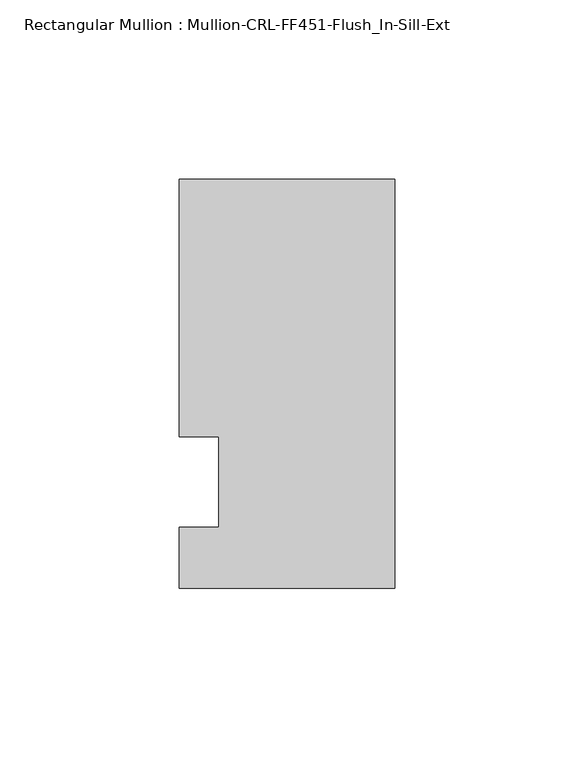
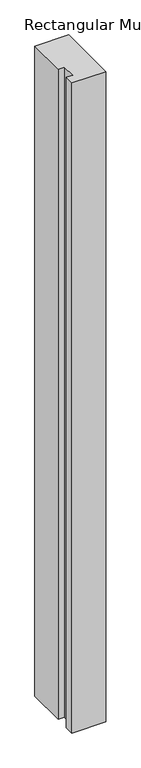
"""IFC4 building model written with IfcOpenShell, lengths in millimetres: member geometry, Rectangular Mullion : Mullion-CRL-FF451-Flush_In-Sill-Ext."""

from ifc_helpers import new_model, si_unit, frame, origin, place, context, project, spatial, polyline, outline, extrude, source, transform, mapped, element, save


def rectangular_mullion_mullion_crl_ff451_flush_in_sill_ext_d367d2eb(model_context):
    return source(origin(), model_context, "Body", "SweptSolid", [
        extrude(outline(polyline([(-60.325, -29.6696095), (-60.325, -12.7), (-49.222241, -12.7), (-49.222241, 12.7), (-60.325, 12.7), (-60.325, 84.6303905), (0.0, 84.6303905), (0.0, -29.6696095), (-60.325, -29.6696095)])), frame((0.0, 0.0, -1227.5840916), z_axis=(0.0, 0.0, 1.0), x_axis=(1.0, 0.0, 0.0)), (0.0, 0.0, 1.0), 1227.5840916),
    ])


if __name__ == "__main__":
    model = new_model("IFC4")
    model_context = context("Model", 3, world=origin())
    ifc_project = project(units=[si_unit("LENGTHUNIT", "METRE", prefix="MILLI")], contexts=[model_context])
    site = spatial("IfcSite", under=ifc_project)
    building = spatial("IfcBuilding", under=site)
    placement = place(None, origin())
    rectangular_mullion_mullion_crl_ff451_flush_in_sill_ext_shape = rectangular_mullion_mullion_crl_ff451_flush_in_sill_ext_d367d2eb(model_context)
    element("IfcMember", 1, ObjectType="Rectangular Mullion : Mullion-CRL-FF451-Flush_In-Sill-Ext", at=placement, inside=building, context=model_context, shape_type="MappedRepresentation", body=[
        mapped(rectangular_mullion_mullion_crl_ff451_flush_in_sill_ext_shape, transform((0.0, 0.0, 0.0), x_axis=(1.0, 0.0, 0.0), y_axis=(0.0, 1.0, 0.0), z_axis=(0.0, 0.0, 1.0))),
    ])
    save(model, "model.ifc")
